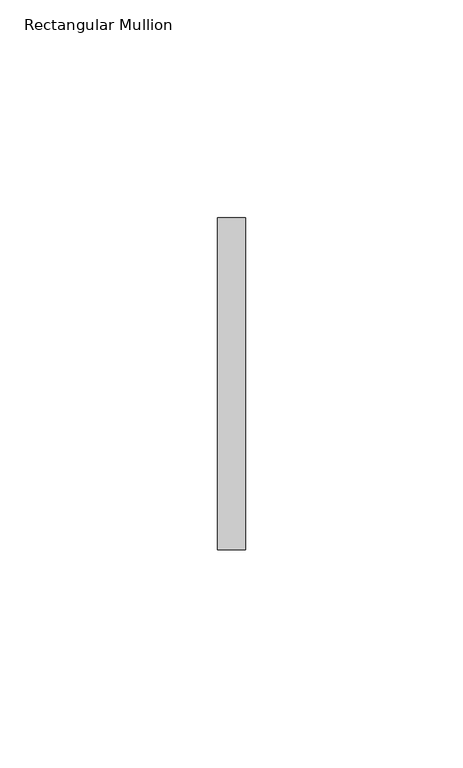
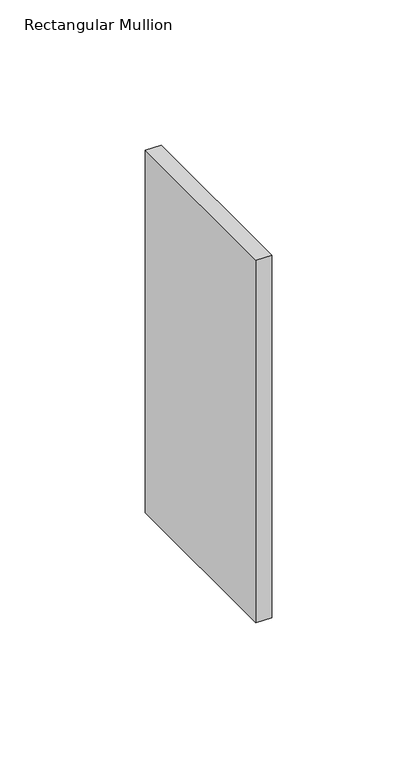
"""IFC4 building model written with IfcOpenShell, lengths in millimetres: member geometry, Rectangular Mullion."""

import ifcopenshell
import ifcopenshell.guid

model = None  # the IFC model being written
_history = None  # IfcOwnerHistory: only IFC2X3 demands one
_inside = {}  # id of a spatial element -> (the spatial element, [elements in it])
_under = {}  # id of a project, library or spatial element -> (it, [spatial elements below it])
_declared = {}  # id of a project -> (the project, [libraries it declares])
_typed = {}  # id of a type object -> (the type object, [elements of that type])
_made_of = {}  # id of a material, layer set ... -> (it, [elements and type objects made of it])


def new_model(schema):
    """Start an empty IFC model of exactly this schema.

    Asked for "IFC4X3", IfcOpenShell would pick the latest addendum, in which some entities
    have other attributes; the version numbers below select the first issue.
    IFC2X3 requires an IfcOwnerHistory on every rooted entity: one is made here for all.
    """
    global model, _history
    if schema == "IFC4X3":
        model = ifcopenshell.file(schema_version=(4, 3, 0, 0))
    else:
        model = ifcopenshell.file(schema=schema)
    _inside.clear()
    _under.clear()
    _declared.clear()
    _typed.clear()
    _made_of.clear()
    _history = None
    if model.schema == "IFC2X3":
        org = make("IfcOrganization", Name="unknown")
        user = make(
            "IfcPersonAndOrganization",
            ThePerson=make("IfcPerson", FamilyName="unknown"),
            TheOrganization=org,
        )
        app = make(
            "IfcApplication",
            ApplicationDeveloper=org,
            Version="unknown",
            ApplicationFullName="unknown",
            ApplicationIdentifier="unknown",
        )
        _history = make(
            "IfcOwnerHistory",
            OwningUser=user,
            OwningApplication=app,
            ChangeAction="ADDED",
            CreationDate=0,
        )
    return model


def make(cls, **values):
    """One entity of the class cls with the attributes given. An attribute that is None is left unset."""
    return model.create_entity(
        cls, **{name: value for name, value in values.items() if value is not None}
    )


def rooted(cls, **values):
    """An entity with a GlobalId (a new one), such as an element, a storey or a relation."""
    return make(cls, GlobalId=ifcopenshell.guid.new(), OwnerHistory=_history, **values)


def si_unit(unit_type, name, prefix=None):
    """IfcSIUnit, for example si_unit("LENGTHUNIT", "METRE", prefix="MILLI")."""
    return make("IfcSIUnit", UnitType=unit_type, Prefix=prefix, Name=name)


def assignment(units):
    """IfcUnitAssignment: the units of a project."""
    return None if units is None else make("IfcUnitAssignment", Units=units)


def point(xyz):
    """IfcCartesianPoint."""
    return None if xyz is None else make("IfcCartesianPoint", Coordinates=xyz)


def direction(xyz):
    """IfcDirection."""
    return None if xyz is None else make("IfcDirection", DirectionRatios=xyz)


def frame(location, z_axis=None, x_axis=None):
    """IfcAxis2Placement3D, a coordinate frame: its origin and axes. An axis left out is left unset."""
    return make(
        "IfcAxis2Placement3D",
        Location=point(location),
        Axis=direction(z_axis),
        RefDirection=direction(x_axis),
    )


def origin():
    """The frame at (0, 0, 0) with its axes left unset."""
    return frame((0.0, 0.0, 0.0))


def place(relative_to, where):
    """IfcLocalPlacement: puts the frame where relative to a parent placement (None: the world)."""
    return make(
        "IfcLocalPlacement", PlacementRelTo=relative_to, RelativePlacement=where
    )


def context(
    kind, dimensions, precision=None, world=None, true_north=None, identifier=None
):
    """IfcGeometricRepresentationContext, for example the 3D "Model" context."""
    return make(
        "IfcGeometricRepresentationContext",
        ContextIdentifier=identifier,
        ContextType=kind,
        CoordinateSpaceDimension=dimensions,
        Precision=precision,
        WorldCoordinateSystem=world,
        TrueNorth=true_north,
    )


def project(units=None, contexts=None):
    """IfcProject with its units and contexts."""
    return rooted(
        "IfcProject",
        Name="project",
        RepresentationContexts=contexts,
        UnitsInContext=assignment(units),
    )


def spatial(cls, under=None, at=None, **own):
    """A site, building, storey or space (cls), placed at a placement, below another one or the project."""
    s = rooted(cls, ObjectPlacement=at, **own)
    if under is not None:
        _under.setdefault(under.id(), (under, []))[1].append(s)
    return s


def polyline(points):
    """IfcPolyline through the points."""
    return make("IfcPolyline", Points=[point(p) for p in points])


def outline(outer, holes=None, kind="AREA"):
    """IfcArbitraryClosedProfileDef: a profile drawn as a closed curve; with holes, ...WithVoids."""
    if holes is None:
        return make("IfcArbitraryClosedProfileDef", ProfileType=kind, OuterCurve=outer)
    return make(
        "IfcArbitraryProfileDefWithVoids",
        ProfileType=kind,
        OuterCurve=outer,
        InnerCurves=holes,
    )


def extrude(swept, where, along, depth):
    """IfcExtrudedAreaSolid: the profile swept, set in the frame where, extruded along a direction by depth."""
    return make(
        "IfcExtrudedAreaSolid",
        SweptArea=swept,
        Position=where,
        ExtrudedDirection=direction(along),
        Depth=depth,
    )


def shape(context_of_items, identifier, shape_type, items):
    """IfcShapeRepresentation: the items that make up one representation, for example the "Body"."""
    return make(
        "IfcShapeRepresentation",
        ContextOfItems=context_of_items,
        RepresentationIdentifier=identifier,
        RepresentationType=shape_type,
        Items=items,
    )


def source(mapping_origin, context_of_items, identifier, shape_type, items):
    """IfcRepresentationMap: a shape defined once, which mapped items show again and again."""
    return make(
        "IfcRepresentationMap",
        MappingOrigin=mapping_origin,
        MappedRepresentation=shape(context_of_items, identifier, shape_type, items),
    )


def transform(
    local_origin,
    x_axis=None,
    y_axis=None,
    z_axis=None,
    scale=None,
    scale2=None,
    scale3=None,
    uniform=True,
):
    """IfcCartesianTransformationOperator3D, or its non-uniform kind. x_axis, y_axis, z_axis: its Axis1, 2, 3."""
    if uniform:
        return make(
            "IfcCartesianTransformationOperator3D",
            Axis1=direction(x_axis),
            Axis2=direction(y_axis),
            LocalOrigin=point(local_origin),
            Scale=scale,
            Axis3=direction(z_axis),
        )
    return make(
        "IfcCartesianTransformationOperator3DnonUniform",
        Axis1=direction(x_axis),
        Axis2=direction(y_axis),
        LocalOrigin=point(local_origin),
        Scale=scale,
        Axis3=direction(z_axis),
        Scale2=scale2,
        Scale3=scale3,
    )


def mapped(mapping_source, mapping_target):
    """IfcMappedItem: shows the shape of a source again, moved by a transform."""
    return make(
        "IfcMappedItem", MappingSource=mapping_source, MappingTarget=mapping_target
    )


def made_of(thing, what):
    """Note that an element or type object is made of a material, layer set ...; save() writes the relation."""
    if what is not None:
        _made_of.setdefault(what.id(), (what, []))[1].append(thing)
    return thing


def element(
    cls,
    number,
    at=None,
    inside=None,
    cuts=None,
    type_object=None,
    material=None,
    context=None,
    identifier="Body",
    shape_type=None,
    held_by="IfcProductDefinitionShape",
    body=None,
    shapes=None,
    **own,
):
    """One element of the class cls, such as IfcWall. Its Tag is "e" and its number.

    at: its placement. inside: the storey or other place that contains it. cuts: it is an
    opening in that element (IfcRelVoidsElement). A single representation is given by context,
    identifier, shape_type and body (its items); several are given by shapes. held_by: the class
    of the entity that holds the representations. save() writes the other relations.
    """
    e = rooted(cls, Tag="e%d" % number, ObjectPlacement=at, **own)
    if body is not None:
        shapes = [shape(context, identifier, shape_type, body)]
    if shapes is not None:
        e.Representation = make(held_by, Representations=shapes)
    if inside is not None:
        _inside.setdefault(inside.id(), (inside, []))[1].append(e)
    if cuts is not None:
        rooted(
            "IfcRelVoidsElement", RelatingBuildingElement=cuts, RelatedOpeningElement=e
        )
    if type_object is not None:
        _typed.setdefault(type_object.id(), (type_object, []))[1].append(e)
    return made_of(e, material)


def aggregate(whole, parts):
    """IfcRelAggregates: a whole, such as a stair, and the parts it consists of."""
    return rooted("IfcRelAggregates", RelatingObject=whole, RelatedObjects=parts)


def save(model, path):
    """Write the relations noted so far, then the file.

    IfcRelAggregates (storeys below a building ...), IfcRelContainedInSpatialStructure (elements
    in a storey), IfcRelDefinesByType, IfcRelAssociatesMaterial and IfcRelDeclares: one each for
    every whole, place, type object, material and project.
    """
    for whole, parts in _under.values():
        aggregate(whole, parts)
    for where, things in _inside.values():
        rooted(
            "IfcRelContainedInSpatialStructure",
            RelatedElements=things,
            RelatingStructure=where,
        )
    for kind, things in _typed.values():
        rooted("IfcRelDefinesByType", RelatedObjects=things, RelatingType=kind)
    for what, things in _made_of.values():
        rooted("IfcRelAssociatesMaterial", RelatedObjects=things, RelatingMaterial=what)
    for by, libraries in _declared.values():
        rooted("IfcRelDeclares", RelatingContext=by, RelatedDefinitions=libraries)
    model.write(path)


def rectangular_mullion_c40310a1(model_context):
    return source(origin(), model_context, "Body", "SweptSolid", [
        extrude(outline(polyline([(0.0, 38.1), (0.0, -38.1), (-6.35, -38.1), (-6.35, 38.1), (0.0, 38.1)])), frame((0.0, 0.0, -152.4), z_axis=(0.0, 0.0, 1.0), x_axis=(1.0, 0.0, 0.0)), (0.0, 0.0, 1.0), 152.4),
    ])


if __name__ == "__main__":
    model = new_model("IFC4")
    model_context = context("Model", 3, world=origin())
    ifc_project = project(units=[si_unit("LENGTHUNIT", "METRE", prefix="MILLI")], contexts=[model_context])
    site = spatial("IfcSite", under=ifc_project)
    building = spatial("IfcBuilding", under=site)
    placement = place(None, origin())
    rectangular_mullion_shape = rectangular_mullion_c40310a1(model_context)
    element("IfcMember", 1, ObjectType="Rectangular Mullion", at=placement, inside=building, context=model_context, shape_type="MappedRepresentation", body=[
        mapped(rectangular_mullion_shape, transform((0.0, 0.0, 0.0), x_axis=(1.0, 0.0, 0.0), y_axis=(0.0, 1.0, 0.0), z_axis=(0.0, 0.0, 1.0))),
    ])
    save(model, "model.ifc")
